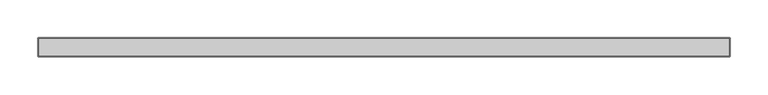
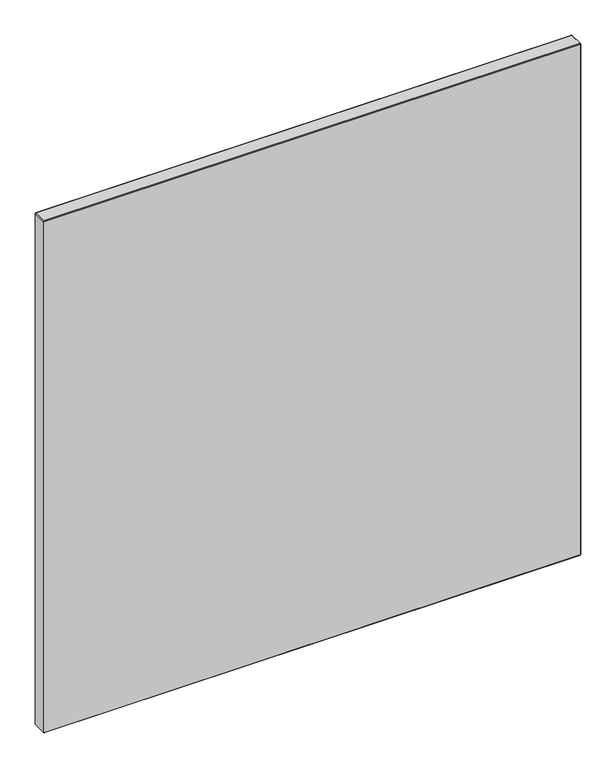
"""IFC4 building model written with IfcOpenShell, lengths in millimetres: furniture geometry."""

import ifcopenshell
import ifcopenshell.guid

model = None  # the IFC model being written
_history = None  # IfcOwnerHistory: only IFC2X3 demands one
_inside = {}  # id of a spatial element -> (the spatial element, [elements in it])
_under = {}  # id of a project, library or spatial element -> (it, [spatial elements below it])
_declared = {}  # id of a project -> (the project, [libraries it declares])
_typed = {}  # id of a type object -> (the type object, [elements of that type])
_made_of = {}  # id of a material, layer set ... -> (it, [elements and type objects made of it])


def new_model(schema):
    """Start an empty IFC model of exactly this schema.

    Asked for "IFC4X3", IfcOpenShell would pick the latest addendum, in which some entities
    have other attributes; the version numbers below select the first issue.
    IFC2X3 requires an IfcOwnerHistory on every rooted entity: one is made here for all.
    """
    global model, _history
    if schema == "IFC4X3":
        model = ifcopenshell.file(schema_version=(4, 3, 0, 0))
    else:
        model = ifcopenshell.file(schema=schema)
    _inside.clear()
    _under.clear()
    _declared.clear()
    _typed.clear()
    _made_of.clear()
    _history = None
    if model.schema == "IFC2X3":
        org = make("IfcOrganization", Name="unknown")
        user = make(
            "IfcPersonAndOrganization",
            ThePerson=make("IfcPerson", FamilyName="unknown"),
            TheOrganization=org,
        )
        app = make(
            "IfcApplication",
            ApplicationDeveloper=org,
            Version="unknown",
            ApplicationFullName="unknown",
            ApplicationIdentifier="unknown",
        )
        _history = make(
            "IfcOwnerHistory",
            OwningUser=user,
            OwningApplication=app,
            ChangeAction="ADDED",
            CreationDate=0,
        )
    return model


def make(cls, **values):
    """One entity of the class cls with the attributes given. An attribute that is None is left unset."""
    return model.create_entity(
        cls, **{name: value for name, value in values.items() if value is not None}
    )


def rooted(cls, **values):
    """An entity with a GlobalId (a new one), such as an element, a storey or a relation."""
    return make(cls, GlobalId=ifcopenshell.guid.new(), OwnerHistory=_history, **values)


def si_unit(unit_type, name, prefix=None):
    """IfcSIUnit, for example si_unit("LENGTHUNIT", "METRE", prefix="MILLI")."""
    return make("IfcSIUnit", UnitType=unit_type, Prefix=prefix, Name=name)


def assignment(units):
    """IfcUnitAssignment: the units of a project."""
    return None if units is None else make("IfcUnitAssignment", Units=units)


def point(xyz):
    """IfcCartesianPoint."""
    return None if xyz is None else make("IfcCartesianPoint", Coordinates=xyz)


def direction(xyz):
    """IfcDirection."""
    return None if xyz is None else make("IfcDirection", DirectionRatios=xyz)


def frame(location, z_axis=None, x_axis=None):
    """IfcAxis2Placement3D, a coordinate frame: its origin and axes. An axis left out is left unset."""
    return make(
        "IfcAxis2Placement3D",
        Location=point(location),
        Axis=direction(z_axis),
        RefDirection=direction(x_axis),
    )


def origin():
    """The frame at (0, 0, 0) with its axes left unset."""
    return frame((0.0, 0.0, 0.0))


def place(relative_to, where):
    """IfcLocalPlacement: puts the frame where relative to a parent placement (None: the world)."""
    return make(
        "IfcLocalPlacement", PlacementRelTo=relative_to, RelativePlacement=where
    )


def context(
    kind, dimensions, precision=None, world=None, true_north=None, identifier=None
):
    """IfcGeometricRepresentationContext, for example the 3D "Model" context."""
    return make(
        "IfcGeometricRepresentationContext",
        ContextIdentifier=identifier,
        ContextType=kind,
        CoordinateSpaceDimension=dimensions,
        Precision=precision,
        WorldCoordinateSystem=world,
        TrueNorth=true_north,
    )


def project(units=None, contexts=None):
    """IfcProject with its units and contexts."""
    return rooted(
        "IfcProject",
        Name="project",
        RepresentationContexts=contexts,
        UnitsInContext=assignment(units),
    )


def spatial(cls, under=None, at=None, **own):
    """A site, building, storey or space (cls), placed at a placement, below another one or the project."""
    s = rooted(cls, ObjectPlacement=at, **own)
    if under is not None:
        _under.setdefault(under.id(), (under, []))[1].append(s)
    return s


def point_list(points):
    """IfcCartesianPointList2D or 3D."""
    cls = (
        "IfcCartesianPointList2D" if len(points[0]) == 2 else "IfcCartesianPointList3D"
    )
    return make(cls, CoordList=points)


def triangles(points, corners, closed=None, point_numbers=None):
    """IfcTriangulatedFaceSet: each triangle names its three corners, points numbered from 1."""
    return make(
        "IfcTriangulatedFaceSet",
        Coordinates=point_list(points),
        Closed=closed,
        CoordIndex=corners,
        PnIndex=point_numbers,
    )


def shape(context_of_items, identifier, shape_type, items):
    """IfcShapeRepresentation: the items that make up one representation, for example the "Body"."""
    return make(
        "IfcShapeRepresentation",
        ContextOfItems=context_of_items,
        RepresentationIdentifier=identifier,
        RepresentationType=shape_type,
        Items=items,
    )


def source(mapping_origin, context_of_items, identifier, shape_type, items):
    """IfcRepresentationMap: a shape defined once, which mapped items show again and again."""
    return make(
        "IfcRepresentationMap",
        MappingOrigin=mapping_origin,
        MappedRepresentation=shape(context_of_items, identifier, shape_type, items),
    )


def transform(
    local_origin,
    x_axis=None,
    y_axis=None,
    z_axis=None,
    scale=None,
    scale2=None,
    scale3=None,
    uniform=True,
):
    """IfcCartesianTransformationOperator3D, or its non-uniform kind. x_axis, y_axis, z_axis: its Axis1, 2, 3."""
    if uniform:
        return make(
            "IfcCartesianTransformationOperator3D",
            Axis1=direction(x_axis),
            Axis2=direction(y_axis),
            LocalOrigin=point(local_origin),
            Scale=scale,
            Axis3=direction(z_axis),
        )
    return make(
        "IfcCartesianTransformationOperator3DnonUniform",
        Axis1=direction(x_axis),
        Axis2=direction(y_axis),
        LocalOrigin=point(local_origin),
        Scale=scale,
        Axis3=direction(z_axis),
        Scale2=scale2,
        Scale3=scale3,
    )


def mapped(mapping_source, mapping_target):
    """IfcMappedItem: shows the shape of a source again, moved by a transform."""
    return make(
        "IfcMappedItem", MappingSource=mapping_source, MappingTarget=mapping_target
    )


def made_of(thing, what):
    """Note that an element or type object is made of a material, layer set ...; save() writes the relation."""
    if what is not None:
        _made_of.setdefault(what.id(), (what, []))[1].append(thing)
    return thing


def element(
    cls,
    number,
    at=None,
    inside=None,
    cuts=None,
    type_object=None,
    material=None,
    context=None,
    identifier="Body",
    shape_type=None,
    held_by="IfcProductDefinitionShape",
    body=None,
    shapes=None,
    **own,
):
    """One element of the class cls, such as IfcWall. Its Tag is "e" and its number.

    at: its placement. inside: the storey or other place that contains it. cuts: it is an
    opening in that element (IfcRelVoidsElement). A single representation is given by context,
    identifier, shape_type and body (its items); several are given by shapes. held_by: the class
    of the entity that holds the representations. save() writes the other relations.
    """
    e = rooted(cls, Tag="e%d" % number, ObjectPlacement=at, **own)
    if body is not None:
        shapes = [shape(context, identifier, shape_type, body)]
    if shapes is not None:
        e.Representation = make(held_by, Representations=shapes)
    if inside is not None:
        _inside.setdefault(inside.id(), (inside, []))[1].append(e)
    if cuts is not None:
        rooted(
            "IfcRelVoidsElement", RelatingBuildingElement=cuts, RelatedOpeningElement=e
        )
    if type_object is not None:
        _typed.setdefault(type_object.id(), (type_object, []))[1].append(e)
    return made_of(e, material)


def aggregate(whole, parts):
    """IfcRelAggregates: a whole, such as a stair, and the parts it consists of."""
    return rooted("IfcRelAggregates", RelatingObject=whole, RelatedObjects=parts)


def save(model, path):
    """Write the relations noted so far, then the file.

    IfcRelAggregates (storeys below a building ...), IfcRelContainedInSpatialStructure (elements
    in a storey), IfcRelDefinesByType, IfcRelAssociatesMaterial and IfcRelDeclares: one each for
    every whole, place, type object, material and project.
    """
    for whole, parts in _under.values():
        aggregate(whole, parts)
    for where, things in _inside.values():
        rooted(
            "IfcRelContainedInSpatialStructure",
            RelatedElements=things,
            RelatingStructure=where,
        )
    for kind, things in _typed.values():
        rooted("IfcRelDefinesByType", RelatedObjects=things, RelatingType=kind)
    for what, things in _made_of.values():
        rooted("IfcRelAssociatesMaterial", RelatedObjects=things, RelatingMaterial=what)
    for by, libraries in _declared.values():
        rooted("IfcRelDeclares", RelatingContext=by, RelatedDefinitions=libraries)
    model.write(path)


def furniture_88d7e812(model_context):
    return source(origin(), model_context, "Body", "Tessellation", [
        triangles([(913.6379826, -0.762, 920.7499758), (913.6379826, 0.0, 919.988031), (0.762, 0.0, 919.988031), (0.762, -0.762, 920.7499758), (0.762, -24.6379992, 920.7499758), (0.0, -0.762, 919.988031), (0.0, -24.6379992, 919.988031), (0.762, -25.4000008, 919.988031), (913.6379826, -25.4000008, 919.988031), (913.6379826, -24.6379992, 920.7499758), (0.762, -25.4000008, 0.762), (913.6379826, -25.4000008, 0.762), (0.0, -24.6379992, 0.762), (0.0, -0.762, 0.762), (913.6379826, 0.0, 0.762), (0.762, 0.0, 0.762), (914.4, -0.762, 0.762), (914.4, -0.762, 919.988031), (914.4, -24.6379992, 919.988031), (914.4, -24.6379992, 0.762), (913.6379826, -24.6379992, 0.0), (913.6379826, -0.762, 0.0), (0.762, -24.6379992, 0.0), (0.762, -0.762, 0.0)], [[1, 2, 3], [1, 3, 4], [5, 4, 6], [5, 6, 7], [5, 8, 9], [5, 9, 10], [11, 12, 9], [11, 9, 8], [13, 7, 6], [13, 6, 14], [15, 16, 3], [15, 3, 2], [17, 18, 19], [17, 19, 20], [21, 22, 17], [21, 17, 20], [21, 12, 11], [21, 11, 23], [24, 23, 13], [24, 13, 14], [24, 16, 15], [24, 15, 22], [19, 18, 1], [19, 1, 10], [10, 1, 4], [10, 4, 5], [3, 6, 4], [14, 6, 3], [14, 3, 16], [14, 16, 24], [23, 11, 13], [13, 11, 8], [13, 8, 7], [5, 7, 8], [15, 17, 22], [17, 15, 2], [17, 2, 18], [1, 18, 2], [21, 20, 12], [12, 20, 19], [12, 19, 9], [10, 9, 19]], closed=False),
    ])


if __name__ == "__main__":
    model = new_model("IFC4")
    model_context = context("Model", 3, world=origin())
    ifc_project = project(units=[si_unit("LENGTHUNIT", "METRE", prefix="MILLI")], contexts=[model_context])
    site = spatial("IfcSite", under=ifc_project)
    building = spatial("IfcBuilding", under=site)
    placement = place(None, origin())
    furniture_shape = furniture_88d7e812(model_context)
    element("IfcFurniture", 1, at=placement, inside=building, context=model_context, shape_type="MappedRepresentation", body=[
        mapped(furniture_shape, transform((0.0, 0.0, 0.0), x_axis=(1.0, 0.0, 0.0), y_axis=(0.0, 1.0, 0.0), z_axis=(0.0, 0.0, 1.0))),
    ])
    save(model, "model.ifc")
